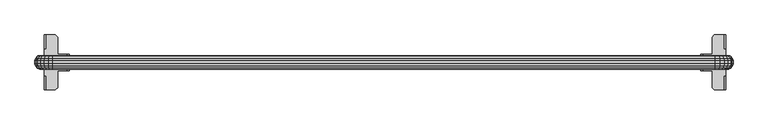
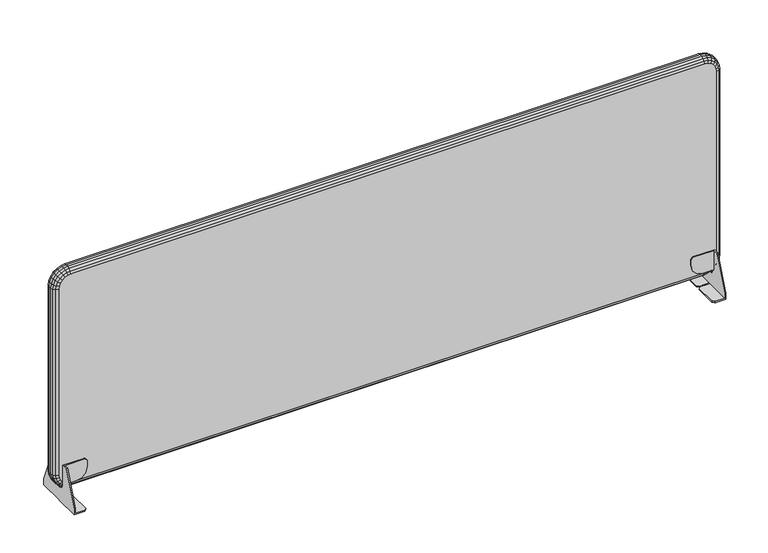
"""IFC4 building model written with IfcOpenShell, lengths in millimetres: furniture geometry."""

from ifc_helpers import new_model, si_unit, origin, place, context, project, spatial, triangles, source, transform, mapped, element, save


def furniture_49954585(model_context):
    return source(origin(), model_context, "Body", "Tessellation", [
        triangles([(3939.3432035, 2306.6081841, 625.0000048), (3939.3432035, 2306.6081841, 575.0000044), (3939.3432035, 2320.608129, 625.0000048), (3939.3432035, 2352.608138, 544.9999824), (3939.3432035, 2305.1341462, 569.5000131), (3939.3432035, 2352.608138, 529.9999895), (3939.3432035, 2292.6081666, 529.9999895), (3939.3432035, 2301.1081565, 565.473987), (3939.3432035, 2295.6081288, 563.9999854), (3939.3432035, 2292.6081666, 563.9999854), (3936.343096, 2306.6081841, 575.0000044), (3936.343096, 2305.1341462, 569.5000131), (3936.343096, 2301.1081565, 565.473987), (3936.343096, 2292.6442109, 563.9999854), (3936.343096, 2292.6081666, 532.9999881), (3914.3431307, 2292.6081666, 529.9999895), (3914.3431307, 2292.6081666, 532.9999881), (3936.343096, 2306.6081841, 578.000003), (3910.3432295, 2306.6081841, 578.000003), (3896.8431814, 2306.6081841, 581.617006), (3886.9602091, 2306.6081841, 591.5000147), (3883.3431333, 2306.6081841, 604.9999901), (3888.3431188, 2306.6081841, 625.0000048), (3883.3431333, 2306.6081841, 620.0000193), (3936.343096, 2309.6081464, 625.0000048), (3936.343096, 2320.608129, 625.0000048), (3936.343096, 2309.6081464, 578.000003), (3936.343096, 2352.608138, 544.9999824), (3936.343096, 2352.608138, 532.9999881), (3910.3432295, 2309.6081464, 578.000003), (3896.8431814, 2309.6081464, 581.617006), (3886.9602091, 2309.6081464, 591.5000147), (3883.3431333, 2309.6081464, 604.9999901), (3888.3431188, 2309.6081464, 625.0000048), (3883.3431333, 2309.6081464, 620.0000193), (3914.3431307, 2352.608138, 529.9999895), (3914.3431307, 2352.608138, 532.9999881), (3909.3431452, 2347.6081525, 529.9999895), (3909.3431452, 2297.6081521, 529.9999895), (3909.3431452, 2297.6081521, 532.9999881), (3909.3431452, 2347.6081525, 532.9999881), (3939.3432035, 2261.6081692, 625.0000048), (3939.3432035, 2275.6081868, 575.0000044), (3939.3432035, 2275.6081868, 625.0000048), (3939.3432035, 2229.6080876, 544.9999824), (3939.3432035, 2277.0820794, 569.5000131), (3939.3432035, 2229.6080876, 529.9999895), (3939.3432035, 2289.6082043, 529.9999895), (3939.3432035, 2281.1081418, 565.473987), (3939.3432035, 2286.6080968, 563.9999854), (3939.3432035, 2289.6082043, 563.9999854), (3936.343096, 2275.6081868, 575.0000044), (3936.343096, 2277.0820794, 569.5000131), (3936.343096, 2281.1081418, 565.473987), (3936.343096, 2289.57216, 563.9999854), (3936.343096, 2289.6082043, 532.9999881), (3914.3431307, 2289.6082043, 529.9999895), (3914.3431307, 2289.6082043, 532.9999881), (3936.343096, 2275.6081868, 578.000003), (3910.3432295, 2275.6081868, 578.000003), (3896.8431814, 2275.6081868, 581.617006), (3886.9602091, 2275.6081868, 591.5000147), (3883.3431333, 2275.6081868, 604.9999901), (3888.3431188, 2275.6081868, 625.0000048), (3883.3431333, 2275.6081868, 620.0000193), (3936.343096, 2272.6082246, 578.000003), (3936.343096, 2261.6081692, 625.0000048), (3936.343096, 2272.6082246, 625.0000048), (3936.343096, 2229.6080876, 544.9999824), (3936.343096, 2229.6080876, 532.9999881), (3910.3432295, 2272.6082246, 578.000003), (3896.8431814, 2272.6082246, 581.617006), (3886.9602091, 2272.6082246, 591.5000147), (3883.3431333, 2272.6082246, 604.9999901), (3888.3431188, 2272.6082246, 625.0000048), (3883.3431333, 2272.6082246, 620.0000193), (3914.3431307, 2229.6080876, 529.9999895), (3914.3431307, 2229.6080876, 532.9999881), (3909.3431452, 2234.6082185, 529.9999895), (3909.3431452, 2284.6082188, 529.9999895), (3909.3431452, 2284.6082188, 532.9999881), (3909.3431452, 2234.6082185, 532.9999881), (2412.3431686, 2320.608129, 625.0000048), (2412.3431686, 2306.6081841, 575.0000044), (2412.3431686, 2306.6081841, 625.0000048), (2412.3431686, 2352.608138, 544.9999824), (2412.3431686, 2305.1341462, 569.5000131), (2412.3431686, 2352.608138, 529.9999895), (2412.3431686, 2292.6081666, 529.9999895), (2412.3431686, 2301.1081565, 565.473987), (2412.3431686, 2295.6081288, 563.9999854), (2412.3431686, 2292.6081666, 563.9999854), (2415.3431309, 2306.6081841, 575.0000044), (2415.3431309, 2305.1341462, 569.5000131), (2415.3431309, 2301.1081565, 565.473987), (2415.3431309, 2292.6442109, 563.9999854), (2415.3431309, 2292.6081666, 532.9999881), (2437.3431688, 2292.6081666, 529.9999895), (2437.3431688, 2292.6081666, 532.9999881), (2415.3431309, 2306.6081841, 578.000003), (2441.3431427, 2306.6081841, 578.000003), (2454.8431907, 2306.6081841, 581.617006), (2464.7261631, 2306.6081841, 591.5000147), (2468.3431661, 2306.6081841, 604.9999901), (2463.3431806, 2306.6081841, 625.0000048), (2468.3431661, 2306.6081841, 620.0000193), (2415.3431309, 2309.6081464, 578.000003), (2415.3431309, 2320.608129, 625.0000048), (2415.3431309, 2309.6081464, 625.0000048), (2415.3431309, 2352.608138, 544.9999824), (2415.3431309, 2352.608138, 532.9999881), (2441.3431427, 2309.6081464, 578.000003), (2454.8431907, 2309.6081464, 581.617006), (2464.7261631, 2309.6081464, 591.5000147), (2468.3431661, 2309.6081464, 604.9999901), (2463.3431806, 2309.6081464, 625.0000048), (2468.3431661, 2309.6081464, 620.0000193), (2437.3431688, 2352.608138, 529.9999895), (2437.3431688, 2352.608138, 532.9999881), (2442.3431543, 2347.6081525, 529.9999895), (2442.3431543, 2297.6081521, 529.9999895), (2442.3431543, 2297.6081521, 532.9999881), (2442.3431543, 2347.6081525, 532.9999881), (2412.3431686, 2275.6081868, 625.0000048), (2412.3431686, 2275.6081868, 575.0000044), (2412.3431686, 2261.6081692, 625.0000048), (2412.3431686, 2229.6080876, 544.9999824), (2412.3431686, 2277.0820794, 569.5000131), (2412.3431686, 2229.6080876, 529.9999895), (2412.3431686, 2289.6082043, 529.9999895), (2412.3431686, 2281.1081418, 565.473987), (2412.3431686, 2286.6080968, 563.9999854), (2412.3431686, 2289.6082043, 563.9999854), (2415.3431309, 2275.6081868, 575.0000044), (2415.3431309, 2277.0820794, 569.5000131), (2415.3431309, 2281.1081418, 565.473987), (2415.3431309, 2286.6080968, 563.9999854), (2415.3431309, 2289.6082043, 563.9999854), (2415.3431309, 2289.6082043, 532.9999881), (2437.3431688, 2289.6082043, 529.9999895), (2437.3431688, 2289.6082043, 532.9999881), (2415.3431309, 2275.6081868, 578.000003), (2441.3431427, 2275.6081868, 578.000003), (2454.8431907, 2275.6081868, 581.617006), (2464.7261631, 2275.6081868, 591.5000147), (2468.3431661, 2275.6081868, 604.9999901), (2463.3431806, 2275.6081868, 625.0000048), (2468.3431661, 2275.6081868, 620.0000193), (2415.3431309, 2272.6082246, 625.0000048), (2415.3431309, 2261.6081692, 625.0000048), (2415.3431309, 2272.6082246, 578.000003), (2415.3431309, 2229.6080876, 544.9999824), (2415.3431309, 2229.6080876, 532.9999881), (2441.3431427, 2272.6082246, 578.000003), (2454.8431907, 2272.6082246, 581.617006), (2464.7261631, 2272.6082246, 591.5000147), (2468.3431661, 2272.6082246, 604.9999901), (2463.3431806, 2272.6082246, 625.0000048), (2468.3431661, 2272.6082246, 620.0000193), (2437.3431688, 2229.6080876, 529.9999895), (2437.3431688, 2229.6080876, 532.9999881), (2442.3431543, 2234.6082185, 529.9999895), (2442.3431543, 2284.6082188, 529.9999895), (2442.3431543, 2284.6082188, 532.9999881), (2442.3431543, 2234.6082185, 532.9999881)], [[1, 2, 3], [3, 2, 4], [4, 2, 5], [6, 4, 5], [6, 5, 7], [7, 5, 8], [7, 8, 9], [9, 10, 7], [2, 11, 5], [5, 11, 12], [5, 12, 8], [8, 12, 13], [8, 13, 9], [14, 9, 13], [10, 9, 14], [14, 15, 10], [10, 15, 7], [7, 15, 16], [16, 15, 17], [11, 2, 18], [1, 18, 2], [19, 18, 1], [20, 19, 1], [20, 1, 21], [21, 1, 22], [22, 1, 23], [22, 23, 24], [25, 26, 27], [28, 27, 26], [27, 28, 12], [12, 28, 29], [12, 29, 15], [15, 14, 13], [15, 13, 12], [12, 11, 27], [27, 11, 18], [27, 30, 25], [25, 30, 31], [25, 31, 32], [32, 33, 25], [25, 33, 34], [34, 33, 35], [28, 4, 29], [6, 29, 4], [36, 29, 6], [36, 37, 29], [6, 7, 36], [36, 7, 16], [36, 16, 38], [38, 16, 39], [15, 29, 17], [17, 29, 37], [17, 37, 40], [40, 37, 41], [34, 35, 23], [23, 35, 24], [35, 33, 24], [24, 33, 22], [34, 23, 25], [1, 25, 23], [3, 25, 1], [3, 26, 25], [16, 17, 39], [39, 17, 40], [40, 41, 39], [39, 41, 38], [38, 41, 36], [36, 41, 37], [3, 4, 26], [26, 4, 28], [18, 19, 27], [27, 19, 30], [22, 33, 21], [21, 33, 32], [21, 32, 20], [20, 32, 31], [20, 31, 19], [19, 31, 30], [42, 43, 44], [45, 43, 42], [45, 46, 43], [47, 46, 45], [48, 46, 47], [48, 49, 46], [48, 50, 49], [48, 51, 50], [46, 52, 43], [53, 52, 46], [49, 53, 46], [54, 53, 49], [50, 54, 49], [55, 54, 50], [55, 50, 51], [51, 56, 55], [48, 56, 51], [57, 56, 48], [58, 56, 57], [59, 43, 52], [44, 43, 59], [60, 44, 59], [61, 44, 60], [62, 44, 61], [62, 63, 44], [63, 64, 44], [63, 65, 64], [66, 67, 68], [69, 67, 66], [53, 69, 66], [70, 69, 53], [56, 70, 53], [54, 55, 56], [53, 54, 56], [66, 52, 53], [59, 52, 66], [68, 71, 66], [72, 71, 68], [73, 72, 68], [68, 74, 73], [68, 75, 74], [75, 76, 74], [70, 45, 69], [47, 45, 70], [77, 47, 70], [70, 78, 77], [77, 48, 47], [57, 48, 77], [77, 79, 57], [79, 80, 57], [58, 70, 56], [78, 70, 58], [58, 81, 78], [81, 82, 78], [64, 76, 75], [65, 76, 64], [65, 74, 76], [63, 74, 65], [68, 64, 75], [44, 64, 68], [42, 44, 68], [68, 67, 42], [80, 58, 57], [81, 58, 80], [80, 82, 81], [79, 82, 80], [77, 82, 79], [78, 82, 77], [67, 45, 42], [69, 45, 67], [66, 60, 59], [71, 60, 66], [62, 74, 63], [73, 74, 62], [61, 73, 62], [72, 73, 61], [60, 72, 61], [71, 72, 60], [83, 84, 85], [86, 84, 83], [86, 87, 84], [88, 87, 86], [89, 87, 88], [89, 90, 87], [89, 91, 90], [89, 92, 91], [87, 93, 84], [94, 93, 87], [90, 94, 87], [95, 94, 90], [91, 95, 90], [96, 95, 91], [96, 91, 92], [92, 97, 96], [89, 97, 92], [98, 97, 89], [99, 97, 98], [100, 84, 93], [85, 84, 100], [101, 85, 100], [102, 85, 101], [103, 85, 102], [103, 104, 85], [104, 105, 85], [104, 106, 105], [107, 108, 109], [110, 108, 107], [94, 110, 107], [111, 110, 94], [97, 111, 94], [95, 96, 97], [94, 95, 97], [107, 93, 94], [100, 93, 107], [109, 112, 107], [113, 112, 109], [114, 113, 109], [109, 115, 114], [109, 116, 115], [116, 117, 115], [111, 86, 110], [88, 86, 111], [118, 88, 111], [111, 119, 118], [118, 89, 88], [98, 89, 118], [118, 120, 98], [120, 121, 98], [99, 111, 97], [119, 111, 99], [99, 122, 119], [122, 123, 119], [105, 117, 116], [106, 117, 105], [106, 115, 117], [104, 115, 106], [109, 105, 116], [85, 105, 109], [83, 85, 109], [109, 108, 83], [121, 99, 98], [122, 99, 121], [121, 123, 122], [120, 123, 121], [118, 123, 120], [119, 123, 118], [108, 86, 83], [110, 86, 108], [107, 101, 100], [112, 101, 107], [103, 115, 104], [114, 115, 103], [102, 114, 103], [113, 114, 102], [101, 113, 102], [112, 113, 101], [124, 125, 126], [126, 125, 127], [127, 125, 128], [129, 127, 128], [129, 128, 130], [130, 128, 131], [130, 131, 132], [132, 133, 130], [125, 134, 128], [128, 134, 135], [128, 135, 131], [131, 135, 136], [131, 136, 132], [132, 136, 137], [133, 132, 138], [138, 132, 137], [138, 139, 133], [133, 139, 130], [130, 139, 140], [140, 139, 141], [134, 125, 142], [124, 142, 125], [143, 142, 124], [144, 143, 124], [144, 124, 145], [145, 124, 146], [146, 124, 147], [146, 147, 148], [149, 150, 151], [152, 151, 150], [151, 152, 135], [135, 152, 153], [135, 153, 139], [138, 137, 139], [139, 137, 136], [139, 136, 135], [135, 134, 151], [151, 134, 142], [151, 154, 149], [149, 154, 155], [149, 155, 156], [156, 157, 149], [149, 157, 158], [158, 157, 159], [152, 127, 153], [129, 153, 127], [160, 153, 129], [160, 161, 153], [129, 130, 160], [160, 130, 140], [160, 140, 162], [162, 140, 163], [139, 153, 141], [141, 153, 161], [141, 161, 164], [164, 161, 165], [158, 159, 147], [147, 159, 148], [159, 157, 148], [148, 157, 146], [158, 147, 149], [124, 149, 147], [126, 149, 124], [126, 150, 149], [140, 141, 163], [163, 141, 164], [164, 165, 163], [163, 165, 162], [162, 165, 160], [160, 165, 161], [126, 127, 150], [150, 127, 152], [142, 143, 151], [151, 143, 154], [146, 157, 145], [145, 157, 156], [145, 156, 144], [144, 156, 155], [144, 155, 143], [143, 155, 154]]),
        triangles([(3950.5930982, 2304.567175, 604.0000148), (3954.8021436, 2300.3581296, 604.0000148), (3949.4260183, 2304.567175, 595.1350036), (3953.4920492, 2300.3581296, 594.0460075), (3946.0041342, 2304.567175, 586.8750063), (3949.6501325, 2300.3581296, 584.7700112), (3940.5611524, 2304.567175, 579.7820163), (3943.5382963, 2300.3581296, 576.8050178), (3933.4682714, 2304.567175, 574.3389982), (3935.5730848, 2300.3581296, 570.6929998), (3925.2081651, 2304.567175, 570.9170051), (3926.2971975, 2300.3581296, 566.8510105), (3916.3431539, 2304.567175, 569.7499978), (3916.3431539, 2300.3581296, 565.5409887), (3944.8431585, 2306.108142, 604.0000148), (3943.8722875, 2306.108142, 596.6240115), (3941.0250776, 2306.108142, 589.7500125), (3936.4962843, 2306.108142, 583.8469934), (3930.5931562, 2306.108142, 579.3179821), (3923.7191572, 2306.108142, 576.4709902), (3916.3431539, 2306.108142, 575.5000102), (3950.5930982, 2277.6491959, 604.0000148), (3944.8431585, 2276.1081563, 604.0000148), (3949.4260183, 2277.6491959, 595.1350036), (3943.8722875, 2276.1081563, 596.6240115), (3946.0041342, 2277.6491959, 586.8750063), (3941.0250776, 2276.1081563, 589.7500125), (3940.5611524, 2277.6491959, 579.7820163), (3936.4962843, 2276.1081563, 583.8469934), (3933.4682714, 2277.6491959, 574.3389982), (3930.5931562, 2276.1081563, 579.3179821), (3925.2081651, 2277.6491959, 570.9170051), (3923.7191572, 2276.1081563, 576.4709902), (3916.3431539, 2277.6491959, 569.7499978), (3916.3431539, 2276.1081563, 575.5000102), (3954.8021436, 2281.858096, 604.0000148), (3953.4920492, 2281.858096, 594.0460075), (3949.6501325, 2281.858096, 584.7700112), (3943.5382963, 2281.858096, 576.8050178), (3935.5730848, 2281.858096, 570.6929998), (3926.2971975, 2281.858096, 566.8510105), (3916.3431539, 2281.858096, 565.5409887), (3956.343038, 2287.6081811, 604.0000148), (3954.9800398, 2287.6081811, 593.647013), (3950.9840627, 2287.6081811, 584.0000001), (3944.6271833, 2287.6081811, 575.7159854), (3936.343096, 2287.6081811, 569.358997), (3926.6961557, 2287.6081811, 565.3629836), (3916.3431539, 2287.6081811, 563.9999854), (3956.343038, 2294.6081898, 604.0000148), (3954.9800398, 2294.6081898, 593.647013), (3950.9840627, 2294.6081898, 584.0000001), (3944.6271833, 2294.6081898, 575.7159854), (3936.343096, 2294.6081898, 569.358997), (3926.6961557, 2294.6081898, 565.3629836), (3916.3431539, 2294.6081898, 563.9999854), (3950.5930982, 2304.567175, 1064.0000256), (3954.8021436, 2300.3581296, 1064.0000256), (3944.8431585, 2306.108142, 1064.0000256), (3950.5930982, 2277.6491959, 1064.0000256), (3944.8431585, 2276.1081563, 1064.0000256), (3954.8021436, 2281.858096, 1064.0000256), (3956.343038, 2287.6081811, 1064.0000256), (3956.343038, 2294.6081898, 1064.0000256), (3916.3431539, 2304.567175, 1098.2499699), (3916.3431539, 2300.3581296, 1102.4590153), (3925.2081651, 2304.567175, 1097.0830353), (3926.2971975, 2300.3581296, 1101.1489935), (3933.4682714, 2304.567175, 1093.6610058), (3935.5730848, 2300.3581296, 1097.3070042), (3940.5611524, 2304.567175, 1088.2180241), (3943.5382963, 2300.3581296, 1091.1950226), (3946.0041342, 2304.567175, 1081.1249977), (3949.6501325, 2300.3581296, 1083.2300291), (3949.4260183, 2304.567175, 1072.8649641), (3953.4920492, 2300.3581296, 1073.9539965), (3916.3431539, 2306.108142, 1092.5000301), (3923.7191572, 2306.108142, 1091.5290138), (3930.5931562, 2306.108142, 1088.6820219), (3936.4962843, 2306.108142, 1084.1530106), (3941.0250776, 2306.108142, 1078.2500278), (3943.8722875, 2306.108142, 1071.3760288), (3916.3431539, 2277.6491959, 1098.2499699), (3916.3431539, 2276.1081563, 1092.5000301), (3925.2081651, 2277.6491959, 1097.0830353), (3923.7191572, 2276.1081563, 1091.5290138), (3933.4682714, 2277.6491959, 1093.6610058), (3930.5931562, 2276.1081563, 1088.6820219), (3940.5611524, 2277.6491959, 1088.2180241), (3936.4962843, 2276.1081563, 1084.1530106), (3946.0041342, 2277.6491959, 1081.1249977), (3941.0250776, 2276.1081563, 1078.2500278), (3949.4260183, 2277.6491959, 1072.8649641), (3943.8722875, 2276.1081563, 1071.3760288), (3916.3431539, 2281.858096, 1102.4590153), (3926.2971975, 2281.858096, 1101.1489935), (3935.5730848, 2281.858096, 1097.3070042), (3943.5382963, 2281.858096, 1091.1950226), (3949.6501325, 2281.858096, 1083.2300291), (3953.4920492, 2281.858096, 1073.9539965), (3916.3431539, 2287.6081811, 1103.9999823), (3926.6961557, 2287.6081811, 1102.6369841), (3936.343096, 2287.6081811, 1098.641007), (3944.6271833, 2287.6081811, 1092.2839823), (3950.9840627, 2287.6081811, 1083.9999676), (3954.9800398, 2287.6081811, 1074.3530273), (3916.3431539, 2294.6081898, 1103.9999823), (3926.6961557, 2294.6081898, 1102.6369841), (3936.343096, 2294.6081898, 1098.641007), (3944.6271833, 2294.6081898, 1092.2839823), (3950.9840627, 2294.6081898, 1083.9999676), (3954.9800398, 2294.6081898, 1074.3530273), (2431.3431717, 2304.567175, 1098.2499699), (2431.3431717, 2300.3581296, 1102.4590153), (2431.3431717, 2306.108142, 1092.5000301), (2431.3431717, 2277.6491959, 1098.2499699), (2431.3431717, 2276.1081563, 1092.5000301), (2431.3431717, 2281.858096, 1102.4590153), (2431.3431717, 2287.6081811, 1103.9999823), (2431.3431717, 2294.6081898, 1103.9999823), (2397.0931547, 2304.567175, 1064.0000256), (2392.884182, 2300.3581296, 1064.0000256), (2398.260162, 2304.567175, 1072.8649641), (2394.1941311, 2300.3581296, 1073.9539965), (2401.6821914, 2304.567175, 1081.1249977), (2398.0361931, 2300.3581296, 1083.2300291), (2407.1251732, 2304.567175, 1088.2180241), (2404.1481746, 2300.3581296, 1091.1950226), (2414.2181268, 2304.567175, 1093.6610058), (2412.1131681, 2300.3581296, 1097.3070042), (2422.4781605, 2304.567175, 1097.0830353), (2421.3891281, 2300.3581296, 1101.1489935), (2402.8431671, 2306.108142, 1064.0000256), (2403.8141834, 2306.108142, 1071.3760288), (2406.6611753, 2306.108142, 1078.2500278), (2411.1901867, 2306.108142, 1084.1530106), (2417.0931694, 2306.108142, 1088.6820219), (2423.9671684, 2306.108142, 1091.5290138), (2397.0931547, 2277.6491959, 1064.0000256), (2402.8431671, 2276.1081563, 1064.0000256), (2398.260162, 2277.6491959, 1072.8649641), (2403.8141834, 2276.1081563, 1071.3760288), (2401.6821914, 2277.6491959, 1081.1249977), (2406.6611753, 2276.1081563, 1078.2500278), (2407.1251732, 2277.6491959, 1088.2180241), (2411.1901867, 2276.1081563, 1084.1530106), (2414.2181268, 2277.6491959, 1093.6610058), (2417.0931694, 2276.1081563, 1088.6820219), (2422.4781605, 2277.6491959, 1097.0830353), (2423.9671684, 2276.1081563, 1091.5290138), (2392.884182, 2281.858096, 1064.0000256), (2394.1941311, 2281.858096, 1073.9539965), (2398.0361931, 2281.858096, 1083.2300291), (2404.1481746, 2281.858096, 1091.1950226), (2412.1131681, 2281.858096, 1097.3070042), (2421.3891281, 2281.858096, 1101.1489935), (2391.3431423, 2287.6081811, 1064.0000256), (2392.7061405, 2287.6081811, 1074.3530273), (2396.7021902, 2287.6081811, 1083.9999676), (2403.0591423, 2287.6081811, 1092.2839823), (2411.343157, 2287.6081811, 1098.641007), (2420.9901699, 2287.6081811, 1102.6369841), (2391.3431423, 2294.6081898, 1064.0000256), (2392.7061405, 2294.6081898, 1074.3530273), (2396.7021902, 2294.6081898, 1083.9999676), (2403.0591423, 2294.6081898, 1092.2839823), (2411.343157, 2294.6081898, 1098.641007), (2420.9901699, 2294.6081898, 1102.6369841), (2397.0931547, 2304.567175, 604.0000148), (2392.884182, 2300.3581296, 604.0000148), (2402.8431671, 2306.108142, 604.0000148), (2397.0931547, 2277.6491959, 604.0000148), (2402.8431671, 2276.1081563, 604.0000148), (2392.884182, 2281.858096, 604.0000148), (2391.3431423, 2287.6081811, 604.0000148), (2391.3431423, 2294.6081898, 604.0000148), (2431.3431717, 2304.567175, 569.7499978), (2431.3431717, 2300.3581296, 565.5409887), (2422.4781605, 2304.567175, 570.9170051), (2421.3891281, 2300.3581296, 566.8510105), (2414.2181268, 2304.567175, 574.3389982), (2412.1131681, 2300.3581296, 570.6929998), (2407.1251732, 2304.567175, 579.7820163), (2404.1481746, 2300.3581296, 576.8050178), (2401.6821914, 2304.567175, 586.8750063), (2398.0361931, 2300.3581296, 584.7700112), (2398.260162, 2304.567175, 595.1350036), (2394.1941311, 2300.3581296, 594.0460075), (2431.3431717, 2306.108142, 575.5000102), (2423.9671684, 2306.108142, 576.4709902), (2417.0931694, 2306.108142, 579.3179821), (2411.1901867, 2306.108142, 583.8469934), (2406.6611753, 2306.108142, 589.7500125), (2403.8141834, 2306.108142, 596.6240115), (2431.3431717, 2277.6491959, 569.7499978), (2431.3431717, 2276.1081563, 575.5000102), (2422.4781605, 2277.6491959, 570.9170051), (2423.9671684, 2276.1081563, 576.4709902), (2414.2181268, 2277.6491959, 574.3389982), (2417.0931694, 2276.1081563, 579.3179821), (2407.1251732, 2277.6491959, 579.7820163), (2411.1901867, 2276.1081563, 583.8469934), (2401.6821914, 2277.6491959, 586.8750063), (2406.6611753, 2276.1081563, 589.7500125), (2398.260162, 2277.6491959, 595.1350036), (2403.8141834, 2276.1081563, 596.6240115), (2431.3431717, 2281.858096, 565.5409887), (2421.3891281, 2281.858096, 566.8510105), (2412.1131681, 2281.858096, 570.6929998), (2404.1481746, 2281.858096, 576.8050178), (2398.0361931, 2281.858096, 584.7700112), (2394.1941311, 2281.858096, 594.0460075), (2431.3431717, 2287.6081811, 563.9999854), (2420.9901699, 2287.6081811, 565.3629836), (2411.343157, 2287.6081811, 569.358997), (2403.0591423, 2287.6081811, 575.7159854), (2396.7021902, 2287.6081811, 584.0000001), (2392.7061405, 2287.6081811, 593.647013), (2431.3431717, 2294.6081898, 563.9999854), (2420.9901699, 2294.6081898, 565.3629836), (2411.343157, 2294.6081898, 569.358997), (2403.0591423, 2294.6081898, 575.7159854), (2396.7021902, 2294.6081898, 584.0000001), (2392.7061405, 2294.6081898, 593.647013)], [[3, 1, 2], [3, 2, 4], [5, 3, 4], [5, 4, 6], [7, 5, 6], [7, 6, 8], [9, 7, 8], [9, 8, 10], [11, 9, 10], [11, 10, 12], [13, 11, 12], [13, 12, 14], [16, 15, 1], [16, 1, 3], [17, 16, 3], [17, 3, 5], [18, 17, 5], [18, 5, 7], [19, 18, 7], [19, 7, 9], [20, 19, 9], [20, 9, 11], [21, 20, 11], [21, 11, 13], [22, 23, 24], [24, 23, 25], [24, 25, 26], [26, 25, 27], [26, 27, 28], [28, 27, 29], [28, 29, 30], [30, 29, 31], [30, 31, 32], [32, 31, 33], [32, 33, 34], [34, 33, 35], [36, 22, 37], [37, 22, 24], [37, 24, 38], [38, 24, 26], [38, 26, 39], [39, 26, 28], [39, 28, 40], [40, 28, 30], [40, 30, 41], [41, 30, 32], [41, 32, 42], [42, 32, 34], [43, 36, 44], [44, 36, 37], [44, 37, 45], [45, 37, 38], [45, 38, 46], [46, 38, 39], [46, 39, 47], [47, 39, 40], [47, 40, 48], [48, 40, 41], [48, 41, 49], [49, 41, 42], [50, 43, 51], [51, 43, 44], [51, 44, 52], [52, 44, 45], [52, 45, 53], [53, 45, 46], [53, 46, 54], [54, 46, 47], [54, 47, 55], [55, 47, 48], [55, 48, 56], [56, 48, 49], [4, 2, 50], [4, 50, 51], [6, 4, 51], [6, 51, 52], [8, 6, 52], [8, 52, 53], [10, 8, 53], [10, 53, 54], [12, 10, 54], [12, 54, 55], [14, 12, 55], [14, 55, 56], [57, 58, 1], [1, 58, 2], [59, 57, 15], [15, 57, 1], [60, 61, 22], [22, 61, 23], [62, 60, 36], [36, 60, 22], [63, 62, 43], [43, 62, 36], [64, 63, 50], [50, 63, 43], [58, 64, 2], [2, 64, 50], [67, 65, 66], [67, 66, 68], [69, 67, 68], [69, 68, 70], [71, 69, 70], [71, 70, 72], [73, 71, 72], [73, 72, 74], [75, 73, 74], [75, 74, 76], [57, 75, 76], [57, 76, 58], [78, 77, 65], [78, 65, 67], [79, 78, 67], [79, 67, 69], [80, 79, 69], [80, 69, 71], [81, 80, 71], [81, 71, 73], [82, 81, 73], [82, 73, 75], [59, 82, 75], [59, 75, 57], [83, 84, 85], [85, 84, 86], [85, 86, 87], [87, 86, 88], [87, 88, 89], [89, 88, 90], [89, 90, 91], [91, 90, 92], [91, 92, 93], [93, 92, 94], [93, 94, 60], [60, 94, 61], [95, 83, 96], [96, 83, 85], [96, 85, 97], [97, 85, 87], [97, 87, 98], [98, 87, 89], [98, 89, 99], [99, 89, 91], [99, 91, 100], [100, 91, 93], [100, 93, 62], [62, 93, 60], [101, 95, 102], [102, 95, 96], [102, 96, 103], [103, 96, 97], [103, 97, 104], [104, 97, 98], [104, 98, 105], [105, 98, 99], [105, 99, 106], [106, 99, 100], [106, 100, 63], [63, 100, 62], [107, 101, 108], [108, 101, 102], [108, 102, 109], [109, 102, 103], [109, 103, 110], [110, 103, 104], [110, 104, 111], [111, 104, 105], [111, 105, 112], [112, 105, 106], [112, 106, 64], [64, 106, 63], [68, 66, 107], [68, 107, 108], [70, 68, 108], [70, 108, 109], [72, 70, 109], [72, 109, 110], [74, 72, 110], [74, 110, 111], [76, 74, 111], [76, 111, 112], [58, 76, 112], [58, 112, 64], [113, 114, 65], [65, 114, 66], [115, 113, 77], [77, 113, 65], [116, 117, 83], [83, 117, 84], [118, 116, 95], [95, 116, 83], [119, 118, 101], [101, 118, 95], [120, 119, 107], [107, 119, 101], [114, 120, 66], [66, 120, 107], [123, 121, 122], [123, 122, 124], [125, 123, 124], [125, 124, 126], [127, 125, 126], [127, 126, 128], [129, 127, 128], [129, 128, 130], [131, 129, 130], [131, 130, 132], [113, 131, 132], [113, 132, 114], [134, 133, 121], [134, 121, 123], [135, 134, 123], [135, 123, 125], [136, 135, 125], [136, 125, 127], [137, 136, 127], [137, 127, 129], [138, 137, 129], [138, 129, 131], [115, 138, 131], [115, 131, 113], [139, 140, 141], [141, 140, 142], [141, 142, 143], [143, 142, 144], [143, 144, 145], [145, 144, 146], [145, 146, 147], [147, 146, 148], [147, 148, 149], [149, 148, 150], [149, 150, 116], [116, 150, 117], [151, 139, 152], [152, 139, 141], [152, 141, 153], [153, 141, 143], [153, 143, 154], [154, 143, 145], [154, 145, 155], [155, 145, 147], [155, 147, 156], [156, 147, 149], [156, 149, 118], [118, 149, 116], [157, 151, 158], [158, 151, 152], [158, 152, 159], [159, 152, 153], [159, 153, 160], [160, 153, 154], [160, 154, 161], [161, 154, 155], [161, 155, 162], [162, 155, 156], [162, 156, 119], [119, 156, 118], [163, 157, 164], [164, 157, 158], [164, 158, 165], [165, 158, 159], [165, 159, 166], [166, 159, 160], [166, 160, 167], [167, 160, 161], [167, 161, 168], [168, 161, 162], [168, 162, 120], [120, 162, 119], [124, 122, 163], [124, 163, 164], [126, 124, 164], [126, 164, 165], [128, 126, 165], [128, 165, 166], [130, 128, 166], [130, 166, 167], [132, 130, 167], [132, 167, 168], [114, 132, 168], [114, 168, 120], [169, 170, 121], [121, 170, 122], [171, 169, 133], [133, 169, 121], [172, 173, 139], [139, 173, 140], [174, 172, 151], [151, 172, 139], [175, 174, 157], [157, 174, 151], [176, 175, 163], [163, 175, 157], [170, 176, 122], [122, 176, 163], [179, 177, 178], [179, 178, 180], [181, 179, 180], [181, 180, 182], [183, 181, 182], [183, 182, 184], [185, 183, 184], [185, 184, 186], [187, 185, 186], [187, 186, 188], [169, 187, 188], [169, 188, 170], [190, 189, 177], [190, 177, 179], [191, 190, 179], [191, 179, 181], [192, 191, 181], [192, 181, 183], [193, 192, 183], [193, 183, 185], [194, 193, 185], [194, 185, 187], [171, 194, 187], [171, 187, 169], [195, 196, 197], [197, 196, 198], [197, 198, 199], [199, 198, 200], [199, 200, 201], [201, 200, 202], [201, 202, 203], [203, 202, 204], [203, 204, 205], [205, 204, 206], [205, 206, 172], [172, 206, 173], [207, 195, 208], [208, 195, 197], [208, 197, 209], [209, 197, 199], [209, 199, 210], [210, 199, 201], [210, 201, 211], [211, 201, 203], [211, 203, 212], [212, 203, 205], [212, 205, 174], [174, 205, 172], [213, 207, 214], [214, 207, 208], [214, 208, 215], [215, 208, 209], [215, 209, 216], [216, 209, 210], [216, 210, 217], [217, 210, 211], [217, 211, 218], [218, 211, 212], [218, 212, 175], [175, 212, 174], [219, 213, 220], [220, 213, 214], [220, 214, 221], [221, 214, 215], [221, 215, 222], [222, 215, 216], [222, 216, 223], [223, 216, 217], [223, 217, 224], [224, 217, 218], [224, 218, 176], [176, 218, 175], [180, 178, 219], [180, 219, 220], [182, 180, 220], [182, 220, 221], [184, 182, 221], [184, 221, 222], [186, 184, 222], [186, 222, 223], [188, 186, 223], [188, 223, 224], [170, 188, 224], [170, 224, 176], [13, 14, 177], [177, 14, 178], [21, 13, 189], [189, 13, 177], [189, 115, 21], [21, 115, 77], [21, 77, 15], [15, 77, 59], [59, 77, 82], [82, 77, 81], [81, 77, 78], [81, 78, 79], [189, 190, 171], [189, 171, 133], [189, 133, 115], [115, 133, 138], [138, 133, 137], [137, 133, 136], [136, 133, 135], [135, 133, 134], [190, 191, 171], [171, 191, 192], [171, 192, 193], [193, 194, 171], [79, 80, 81], [15, 16, 21], [21, 16, 20], [20, 16, 19], [19, 16, 18], [18, 16, 17], [35, 33, 27], [35, 27, 25], [35, 25, 23], [33, 31, 27], [27, 31, 29], [35, 23, 61], [35, 61, 84], [35, 84, 196], [196, 84, 117], [196, 117, 173], [173, 117, 140], [140, 117, 150], [140, 150, 148], [61, 94, 84], [84, 94, 86], [86, 94, 88], [88, 94, 90], [90, 94, 92], [148, 146, 140], [140, 146, 144], [140, 144, 142], [173, 206, 204], [173, 204, 202], [173, 202, 200], [173, 200, 198], [173, 198, 196], [34, 35, 195], [195, 35, 196], [42, 34, 207], [207, 34, 195], [49, 42, 213], [213, 42, 207], [56, 49, 219], [219, 49, 213], [14, 56, 178], [178, 56, 219]]),
    ])


if __name__ == "__main__":
    model = new_model("IFC4")
    model_context = context("Model", 3, world=origin())
    ifc_project = project(units=[si_unit("LENGTHUNIT", "METRE", prefix="MILLI")], contexts=[model_context])
    site = spatial("IfcSite", under=ifc_project)
    building = spatial("IfcBuilding", under=site)
    placement = place(None, origin())
    furniture_shape = furniture_49954585(model_context)
    element("IfcFurniture", 1, at=placement, inside=building, context=model_context, shape_type="MappedRepresentation", body=[
        mapped(furniture_shape, transform((0.0, 0.0, 0.0), x_axis=(1.0, 0.0, 0.0), y_axis=(0.0, 1.0, 0.0), z_axis=(0.0, 0.0, 1.0))),
    ])
    save(model, "model.ifc")
